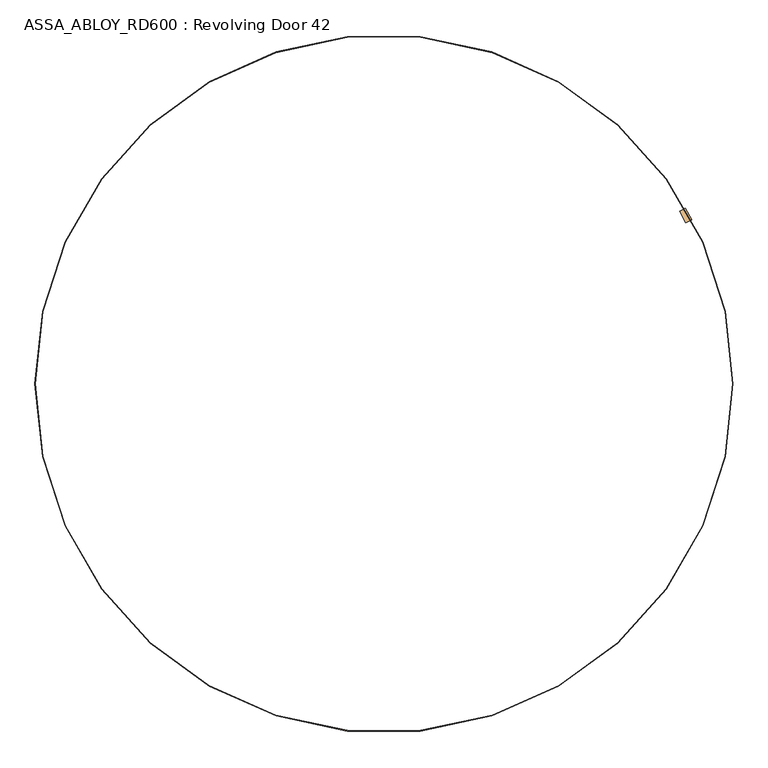
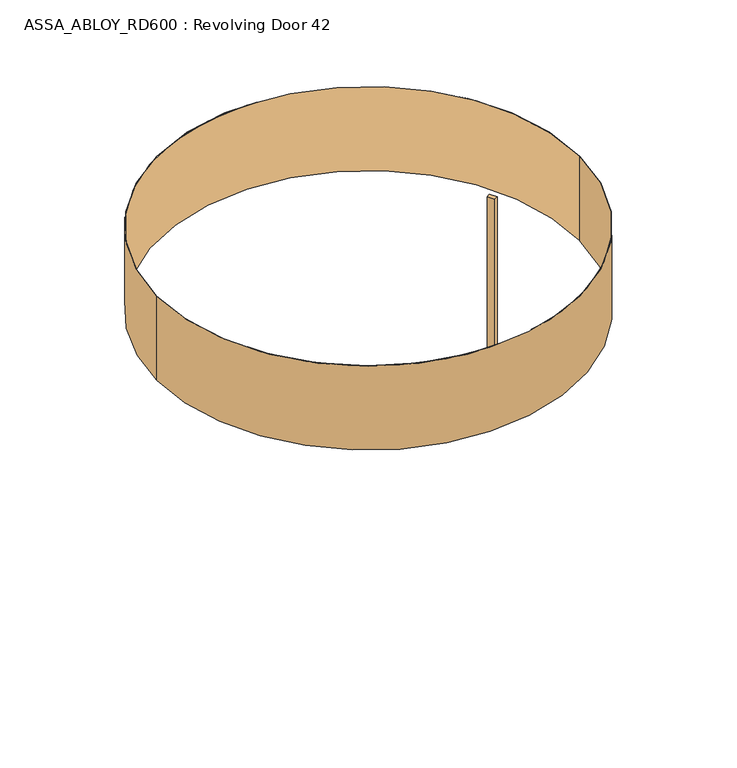
"""IFC4 building model written with IfcOpenShell, lengths in millimetres: door geometry, ASSA_ABLOY_RD600 : Revolving Door 42."""

import ifcopenshell
import ifcopenshell.guid

model = None  # the IFC model being written
_history = None  # IfcOwnerHistory: only IFC2X3 demands one
_inside = {}  # id of a spatial element -> (the spatial element, [elements in it])
_under = {}  # id of a project, library or spatial element -> (it, [spatial elements below it])
_declared = {}  # id of a project -> (the project, [libraries it declares])
_typed = {}  # id of a type object -> (the type object, [elements of that type])
_made_of = {}  # id of a material, layer set ... -> (it, [elements and type objects made of it])


def new_model(schema):
    """Start an empty IFC model of exactly this schema.

    Asked for "IFC4X3", IfcOpenShell would pick the latest addendum, in which some entities
    have other attributes; the version numbers below select the first issue.
    IFC2X3 requires an IfcOwnerHistory on every rooted entity: one is made here for all.
    """
    global model, _history
    if schema == "IFC4X3":
        model = ifcopenshell.file(schema_version=(4, 3, 0, 0))
    else:
        model = ifcopenshell.file(schema=schema)
    _inside.clear()
    _under.clear()
    _declared.clear()
    _typed.clear()
    _made_of.clear()
    _history = None
    if model.schema == "IFC2X3":
        org = make("IfcOrganization", Name="unknown")
        user = make(
            "IfcPersonAndOrganization",
            ThePerson=make("IfcPerson", FamilyName="unknown"),
            TheOrganization=org,
        )
        app = make(
            "IfcApplication",
            ApplicationDeveloper=org,
            Version="unknown",
            ApplicationFullName="unknown",
            ApplicationIdentifier="unknown",
        )
        _history = make(
            "IfcOwnerHistory",
            OwningUser=user,
            OwningApplication=app,
            ChangeAction="ADDED",
            CreationDate=0,
        )
    return model


def make(cls, **values):
    """One entity of the class cls with the attributes given. An attribute that is None is left unset."""
    return model.create_entity(
        cls, **{name: value for name, value in values.items() if value is not None}
    )


def rooted(cls, **values):
    """An entity with a GlobalId (a new one), such as an element, a storey or a relation."""
    return make(cls, GlobalId=ifcopenshell.guid.new(), OwnerHistory=_history, **values)


def si_unit(unit_type, name, prefix=None):
    """IfcSIUnit, for example si_unit("LENGTHUNIT", "METRE", prefix="MILLI")."""
    return make("IfcSIUnit", UnitType=unit_type, Prefix=prefix, Name=name)


def assignment(units):
    """IfcUnitAssignment: the units of a project."""
    return None if units is None else make("IfcUnitAssignment", Units=units)


def point(xyz):
    """IfcCartesianPoint."""
    return None if xyz is None else make("IfcCartesianPoint", Coordinates=xyz)


def direction(xyz):
    """IfcDirection."""
    return None if xyz is None else make("IfcDirection", DirectionRatios=xyz)


def frame(location, z_axis=None, x_axis=None):
    """IfcAxis2Placement3D, a coordinate frame: its origin and axes. An axis left out is left unset."""
    return make(
        "IfcAxis2Placement3D",
        Location=point(location),
        Axis=direction(z_axis),
        RefDirection=direction(x_axis),
    )


def frame_2d(location, x_axis=None):
    """IfcAxis2Placement2D, a coordinate frame in the plane: its origin and x axis."""
    return make(
        "IfcAxis2Placement2D", Location=point(location), RefDirection=direction(x_axis)
    )


def origin():
    """The frame at (0, 0, 0) with its axes left unset."""
    return frame((0.0, 0.0, 0.0))


def origin_2d():
    """The frame at (0, 0) in the plane with its x axis left unset."""
    return frame_2d((0.0, 0.0))


def place(relative_to, where):
    """IfcLocalPlacement: puts the frame where relative to a parent placement (None: the world)."""
    return make(
        "IfcLocalPlacement", PlacementRelTo=relative_to, RelativePlacement=where
    )


def context(
    kind, dimensions, precision=None, world=None, true_north=None, identifier=None
):
    """IfcGeometricRepresentationContext, for example the 3D "Model" context."""
    return make(
        "IfcGeometricRepresentationContext",
        ContextIdentifier=identifier,
        ContextType=kind,
        CoordinateSpaceDimension=dimensions,
        Precision=precision,
        WorldCoordinateSystem=world,
        TrueNorth=true_north,
    )


def project(units=None, contexts=None):
    """IfcProject with its units and contexts."""
    return rooted(
        "IfcProject",
        Name="project",
        RepresentationContexts=contexts,
        UnitsInContext=assignment(units),
    )


def spatial(cls, under=None, at=None, **own):
    """A site, building, storey or space (cls), placed at a placement, below another one or the project."""
    s = rooted(cls, ObjectPlacement=at, **own)
    if under is not None:
        _under.setdefault(under.id(), (under, []))[1].append(s)
    return s


def polyline(points):
    """IfcPolyline through the points."""
    return make("IfcPolyline", Points=[point(p) for p in points])


def circle_curve(where, radius):
    """IfcCircle in the frame where."""
    return make("IfcCircle", Position=where, Radius=radius)


def trimmed(basis, trim1, trim2, sense, master):
    """IfcTrimmedCurve: the piece of a basis curve between two trims."""
    return make(
        "IfcTrimmedCurve",
        BasisCurve=basis,
        Trim1=trim1,
        Trim2=trim2,
        SenseAgreement=sense,
        MasterRepresentation=master,
    )


def segment(curve, same_sense, transition):
    """IfcCompositeCurveSegment."""
    return make(
        "IfcCompositeCurveSegment",
        Transition=transition,
        SameSense=same_sense,
        ParentCurve=curve,
    )


def composite_curve(segments, self_intersect=None):
    """IfcCompositeCurve: segments joined end to end."""
    return make("IfcCompositeCurve", Segments=segments, SelfIntersect=self_intersect)


def outline(outer, holes=None, kind="AREA"):
    """IfcArbitraryClosedProfileDef: a profile drawn as a closed curve; with holes, ...WithVoids."""
    if holes is None:
        return make("IfcArbitraryClosedProfileDef", ProfileType=kind, OuterCurve=outer)
    return make(
        "IfcArbitraryProfileDefWithVoids",
        ProfileType=kind,
        OuterCurve=outer,
        InnerCurves=holes,
    )


def extrude(swept, where, along, depth):
    """IfcExtrudedAreaSolid: the profile swept, set in the frame where, extruded along a direction by depth."""
    return make(
        "IfcExtrudedAreaSolid",
        SweptArea=swept,
        Position=where,
        ExtrudedDirection=direction(along),
        Depth=depth,
    )


def shape(context_of_items, identifier, shape_type, items):
    """IfcShapeRepresentation: the items that make up one representation, for example the "Body"."""
    return make(
        "IfcShapeRepresentation",
        ContextOfItems=context_of_items,
        RepresentationIdentifier=identifier,
        RepresentationType=shape_type,
        Items=items,
    )


def source(mapping_origin, context_of_items, identifier, shape_type, items):
    """IfcRepresentationMap: a shape defined once, which mapped items show again and again."""
    return make(
        "IfcRepresentationMap",
        MappingOrigin=mapping_origin,
        MappedRepresentation=shape(context_of_items, identifier, shape_type, items),
    )


def transform(
    local_origin,
    x_axis=None,
    y_axis=None,
    z_axis=None,
    scale=None,
    scale2=None,
    scale3=None,
    uniform=True,
):
    """IfcCartesianTransformationOperator3D, or its non-uniform kind. x_axis, y_axis, z_axis: its Axis1, 2, 3."""
    if uniform:
        return make(
            "IfcCartesianTransformationOperator3D",
            Axis1=direction(x_axis),
            Axis2=direction(y_axis),
            LocalOrigin=point(local_origin),
            Scale=scale,
            Axis3=direction(z_axis),
        )
    return make(
        "IfcCartesianTransformationOperator3DnonUniform",
        Axis1=direction(x_axis),
        Axis2=direction(y_axis),
        LocalOrigin=point(local_origin),
        Scale=scale,
        Axis3=direction(z_axis),
        Scale2=scale2,
        Scale3=scale3,
    )


def mapped(mapping_source, mapping_target):
    """IfcMappedItem: shows the shape of a source again, moved by a transform."""
    return make(
        "IfcMappedItem", MappingSource=mapping_source, MappingTarget=mapping_target
    )


def made_of(thing, what):
    """Note that an element or type object is made of a material, layer set ...; save() writes the relation."""
    if what is not None:
        _made_of.setdefault(what.id(), (what, []))[1].append(thing)
    return thing


def element(
    cls,
    number,
    at=None,
    inside=None,
    cuts=None,
    type_object=None,
    material=None,
    context=None,
    identifier="Body",
    shape_type=None,
    held_by="IfcProductDefinitionShape",
    body=None,
    shapes=None,
    **own,
):
    """One element of the class cls, such as IfcWall. Its Tag is "e" and its number.

    at: its placement. inside: the storey or other place that contains it. cuts: it is an
    opening in that element (IfcRelVoidsElement). A single representation is given by context,
    identifier, shape_type and body (its items); several are given by shapes. held_by: the class
    of the entity that holds the representations. save() writes the other relations.
    """
    e = rooted(cls, Tag="e%d" % number, ObjectPlacement=at, **own)
    if body is not None:
        shapes = [shape(context, identifier, shape_type, body)]
    if shapes is not None:
        e.Representation = make(held_by, Representations=shapes)
    if inside is not None:
        _inside.setdefault(inside.id(), (inside, []))[1].append(e)
    if cuts is not None:
        rooted(
            "IfcRelVoidsElement", RelatingBuildingElement=cuts, RelatedOpeningElement=e
        )
    if type_object is not None:
        _typed.setdefault(type_object.id(), (type_object, []))[1].append(e)
    return made_of(e, material)


def aggregate(whole, parts):
    """IfcRelAggregates: a whole, such as a stair, and the parts it consists of."""
    return rooted("IfcRelAggregates", RelatingObject=whole, RelatedObjects=parts)


def save(model, path):
    """Write the relations noted so far, then the file.

    IfcRelAggregates (storeys below a building ...), IfcRelContainedInSpatialStructure (elements
    in a storey), IfcRelDefinesByType, IfcRelAssociatesMaterial and IfcRelDeclares: one each for
    every whole, place, type object, material and project.
    """
    for whole, parts in _under.values():
        aggregate(whole, parts)
    for where, things in _inside.values():
        rooted(
            "IfcRelContainedInSpatialStructure",
            RelatedElements=things,
            RelatingStructure=where,
        )
    for kind, things in _typed.values():
        rooted("IfcRelDefinesByType", RelatedObjects=things, RelatingType=kind)
    for what, things in _made_of.values():
        rooted("IfcRelAssociatesMaterial", RelatedObjects=things, RelatingMaterial=what)
    for by, libraries in _declared.values():
        rooted("IfcRelDeclares", RelatingContext=by, RelatedDefinitions=libraries)
    model.write(path)


def assa_abloy_rd600_revolving_door_42_2804298b(model_context):
    return source(origin(), model_context, "Body", "SweptSolid", [
        extrude(outline(composite_curve([segment(trimmed(circle_curve(frame_2d((0.1125648, 0.0628824)), 2140.0), [point((1848.5292225, 1078.467194))], [point((1887.5447764, 1008.6260418))], False, "CARTESIAN"), True, "CONTINUOUS"), segment(polyline([(1887.5447764, 1008.6260418), (1852.6181818, 989.1149027)]), True, "CONTINUOUS"), segment(trimmed(circle_curve(frame_2d((0.115031, 0.0587485)), 2100.0), [point((1852.6181818, 989.1149027))], [point((1813.6024679, 1058.9559656))], True, "CARTESIAN"), True, "CONTINUOUS"), segment(polyline([(1813.6024679, 1058.9559656), (1848.5292225, 1078.467194)]), True, "CONTINUOUS")], self_intersect=False)), frame((0.0, 0.0, 120.0), z_axis=(0.0, 0.0, 1.0), x_axis=(1.0, 0.0, 0.0)), (0.0, 0.0, 1.0), 2420.0),
        extrude(outline(composite_curve([segment(trimmed(circle_curve(origin_2d(), 2141.0), [point((-2141.0, 0.0))], [point((2141.0, 0.0))], False, "CARTESIAN"), True, "CONTINUOUS"), segment(trimmed(circle_curve(origin_2d(), 2141.0), [point((2141.0, 0.0))], [point((-2141.0, 0.0))], False, "CARTESIAN"), True, "CONTINUOUS")], self_intersect=False), holes=[composite_curve([segment(trimmed(circle_curve(origin_2d(), 2137.0), [point((-2137.0, 0.0))], [point((2137.0, 0.0))], True, "CARTESIAN"), True, "CONTINUOUS"), segment(trimmed(circle_curve(origin_2d(), 2137.0), [point((2137.0, 0.0))], [point((-2137.0, 0.0))], True, "CARTESIAN"), True, "CONTINUOUS")], self_intersect=False)]), frame((0.0, 0.0, 2600.0), z_axis=(0.0, 0.0, 1.0), x_axis=(1.0, 0.0, 0.0)), (0.0, 0.0, 1.0), 900.0),
    ])


if __name__ == "__main__":
    model = new_model("IFC4")
    model_context = context("Model", 3, world=origin())
    ifc_project = project(units=[si_unit("LENGTHUNIT", "METRE", prefix="MILLI")], contexts=[model_context])
    site = spatial("IfcSite", under=ifc_project)
    building = spatial("IfcBuilding", under=site)
    placement = place(None, origin())
    assa_abloy_rd600_revolving_door_42_shape = assa_abloy_rd600_revolving_door_42_2804298b(model_context)
    element("IfcDoor", 1, ObjectType="ASSA_ABLOY_RD600 : Revolving Door 42", at=placement, inside=building, context=model_context, shape_type="MappedRepresentation", body=[
        mapped(assa_abloy_rd600_revolving_door_42_shape, transform((0.0, 0.0, 0.0), x_axis=(1.0, 0.0, 0.0), y_axis=(0.0, 1.0, 0.0), z_axis=(0.0, 0.0, 1.0))),
    ])
    save(model, "model.ifc")
